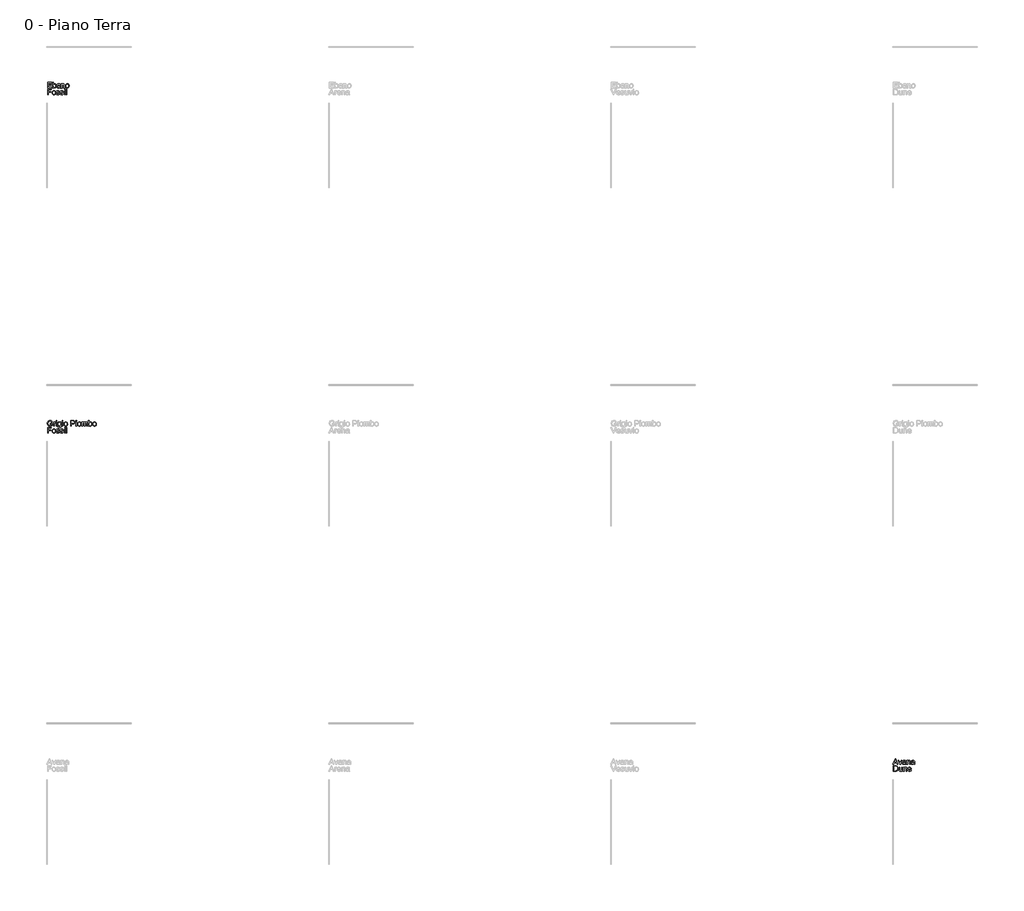
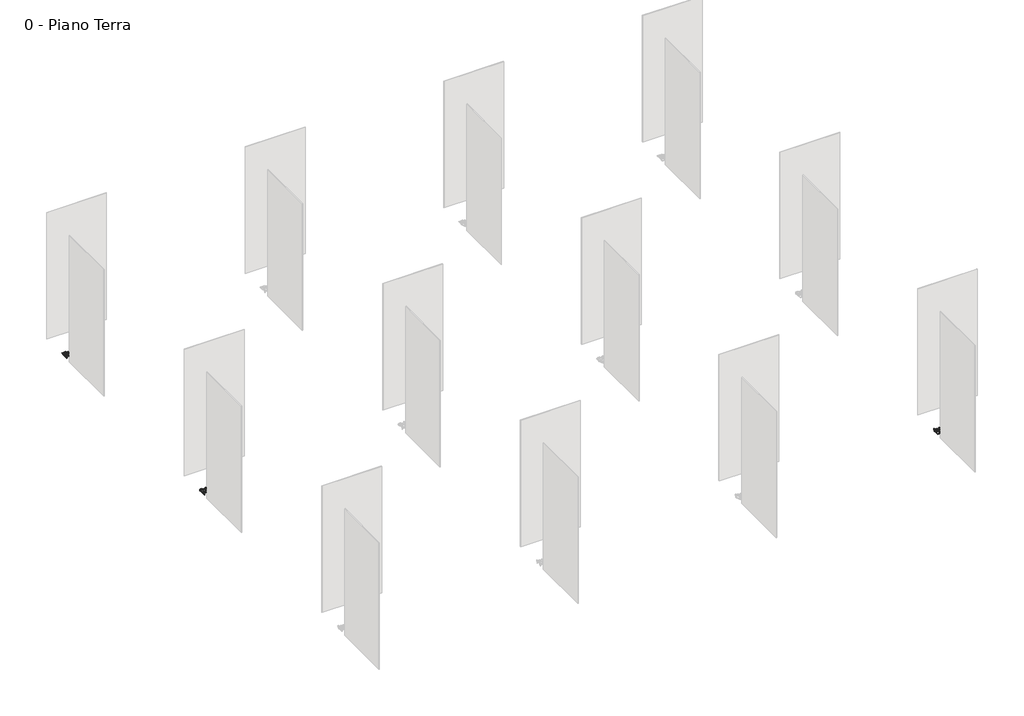
# One storey, part 7 of 35: 3 proxies.
"""IFC4 building model written with IfcOpenShell, lengths in millimetres."""

from ifc_helpers import new_model, si_unit, origin, origin_with_axes, place, context, project, spatial, polyline, outline, extrude, element, save

model = new_model("IFC4")

# Units and contexts
model_context = context("Model", 3, world=origin())
ifc_project = project(units=[si_unit("LENGTHUNIT", "METRE", prefix="MILLI")], contexts=[model_context])

# Site, building, storey
site = spatial("IfcSite", under=ifc_project)
building = spatial("IfcBuilding", under=site)
storey = spatial("IfcBuildingStorey", under=building, Name="0 - Piano Terra", Elevation=0.0)

# Proxies
placement = place(None, origin())
element("IfcBuildingElementProxy", 1, Name="Testo modello 1", ObjectType="Testo modello 1", at=placement, inside=storey, context=model_context, shape_type="SweptSolid", body=[
    extrude(outline(polyline([(-17268.2707509, -36273.7592352), (-17268.2707509, -36173.302925), (-17196.067778, -36173.302925), (-17196.067778, -36185.8599638), (-17255.7137122, -36185.8599638), (-17255.7137122, -36215.6829308), (-17199.2070377, -36215.6829308), (-17199.2070377, -36228.2399696), (-17255.7137122, -36228.2399696), (-17255.7137122, -36261.2021964), (-17194.4981482, -36261.2021964), (-17194.4981482, -36273.7592352), (-17268.2707509, -36273.7592352)])), origin_with_axes(), (0.0, 0.0, 1.0), 10.0),
    extrude(outline(polyline([(-17164.6751811, -36273.7592352), (-17177.2322199, -36273.7592352), (-17177.2322199, -36173.302925), (-17164.6751811, -36173.302925), (-17164.6751811, -36210.5571084), (-17155.8828014, -36201.452029), (-17144.9567061, -36198.4170025), (-17132.3751419, -36201.151592), (-17122.6140063, -36208.8403257), (-17116.6175298, -36220.7964906), (-17114.447026, -36235.7692878), (-17116.6941719, -36252.532444), (-17123.4356094, -36265.0036437), (-17133.3285694, -36272.7475597), (-17145.0302825, -36275.328865), (-17156.1955011, -36271.9995329), (-17164.6751811, -36262.0115368), (-17164.6751811, -36273.7592352)]), holes=[polyline([(-17164.6751811, -36236.357899), (-17161.2416158, -36253.9181329), (-17154.6626594, -36260.5584029), (-17146.1094031, -36262.7718262), (-17138.8621278, -36261.1408827), (-17132.6694475, -36256.2480522), (-17128.4204105, -36248.1239915), (-17127.0040648, -36236.7993574), (-17128.3621625, -36225.3091764), (-17132.4364556, -36217.2770862), (-17138.4359978, -36212.5498025), (-17145.5698428, -36210.9740413), (-17152.8171181, -36212.6049848), (-17159.0097984, -36217.4978154), (-17163.2588354, -36225.4747233), (-17164.6751811, -36236.357899)])]), origin_with_axes(), (0.0, 0.0, 1.0), 10.0),
    extrude(outline(polyline([(-17053.231462, -36264.3414561), (-17065.4083561, -36272.8517929), (-17078.8605743, -36275.328865), (-17089.3544083, -36273.8389429), (-17097.0952586, -36269.3691767), (-17101.8685275, -36262.5817539), (-17103.4596171, -36254.1388621), (-17101.0561214, -36244.2060482), (-17094.7408138, -36236.9955611), (-17085.9484341, -36232.8752828), (-17075.0836525, -36230.9868218), (-17053.3050384, -36226.6703398), (-17053.231462, -36223.8744366), (-17056.6895528, -36214.6038103), (-17070.5709667, -36210.9740413), (-17083.2751583, -36213.3897997), (-17089.3329485, -36221.9614502), (-17101.8899872, -36220.3918204), (-17096.4575964, -36208.1290872), (-17085.5192385, -36200.9431256), (-17068.9522859, -36198.4170025), (-17053.7342341, -36200.64882), (-17045.1380581, -36206.252889), (-17041.2875599, -36214.7754886), (-17040.6744232, -36225.7628975), (-17040.6744232, -36241.3856196), (-17040.0367611, -36263.2010219), (-17037.5351635, -36273.7592352), (-17050.0922023, -36273.7592352), (-17053.231462, -36264.3414561)]), holes=[polyline([(-17053.231462, -36239.2273785), (-17073.4894972, -36243.0778768), (-17084.2929651, -36245.1134905), (-17089.1857957, -36248.4244284), (-17090.9025783, -36253.2559453), (-17087.1624447, -36260.0494995), (-17076.1872985, -36262.7718262), (-17063.4831069, -36259.7674566), (-17055.2916012, -36252.4956558), (-17053.3050384, -36242.7835712), (-17053.231462, -36239.2273785)])]), origin_with_axes(), (0.0, 0.0, 1.0), 10.0),
    extrude(outline(polyline([(-17023.4084949, -36273.7592352), (-17023.4084949, -36199.9866324), (-17010.8514562, -36199.9866324), (-17010.8514562, -36210.2873283), (-17001.2497361, -36201.384584), (-16988.1408743, -36198.4170025), (-16976.2828114, -36200.8082355), (-16968.1894075, -36207.0867549), (-16964.4247484, -36216.320593), (-16963.7625608, -36228.4606988), (-16963.7625608, -36273.7592352), (-16976.3195996, -36273.7592352), (-16976.3195996, -36230.152956), (-16977.7666021, -36219.0429197), (-16982.8801618, -36213.1690705), (-16991.5008632, -36210.9740413), (-17005.1247598, -36215.90366), (-17009.4197821, -36223.0467021), (-17010.8514562, -36234.6165909), (-17010.8514562, -36273.7592352), (-17023.4084949, -36273.7592352)])), origin_with_axes(), (0.0, 0.0, 1.0), 10.0),
    extrude(outline(polyline([(-16949.6358922, -36236.8729338), (-16946.9196968, -36219.0858393), (-16938.7711106, -36206.5839828), (-16928.7034066, -36200.4587476), (-16916.6491399, -36198.4170025), (-16903.4575047, -36200.9032717), (-16892.9207512, -36208.3620791), (-16886.0137668, -36220.2048137), (-16883.7114386, -36235.8428642), (-16887.782666, -36258.185564), (-16899.640729, -36270.8284419), (-16916.6491399, -36275.328865), (-16930.0001907, -36272.8517929), (-16940.5246814, -36265.4205766), (-16947.3580895, -36253.3295217), (-16949.6358922, -36236.8729338)]), holes=[polyline([(-16937.0788534, -36236.8484083), (-16935.6257195, -36248.2128963), (-16931.2663179, -36256.3093658), (-16924.7057556, -36261.1562111), (-16916.6491399, -36262.7718262), (-16908.6293124, -36261.1470141), (-16902.0810129, -36256.2725776), (-16897.7216113, -36248.0688092), (-16896.2684774, -36236.4560008), (-16897.7308083, -36225.4226067), (-16902.1178011, -36217.4365017), (-16908.6752977, -36212.5896564), (-16916.6491399, -36210.9740413), (-16924.7057556, -36212.583525), (-16931.2663179, -36217.4119762), (-16935.6257195, -36225.4900517), (-16937.0788534, -36236.8484083)])]), origin_with_axes(), (0.0, 0.0, 1.0), 10.0),
    extrude(outline(polyline([(-17268.2707509, -36395.734053), (-17268.2707509, -36295.2777428), (-17200.7766675, -36295.2777428), (-17200.7766675, -36307.8347816), (-17255.7137122, -36307.8347816), (-17255.7137122, -36337.6577487), (-17208.6248168, -36337.6577487), (-17208.6248168, -36350.2147875), (-17255.7137122, -36350.2147875), (-17255.7137122, -36395.734053), (-17268.2707509, -36395.734053)])), origin_with_axes(), (0.0, 0.0, 1.0), 10.0),
    extrude(outline(polyline([(-17188.2196288, -36358.8477516), (-17185.5034334, -36341.0606571), (-17177.3548472, -36328.5588007), (-17167.2871432, -36322.4335655), (-17155.2328765, -36320.3918204), (-17142.0412413, -36322.8780895), (-17131.5044879, -36330.336897), (-17124.5975034, -36342.1796315), (-17122.2951752, -36357.817682), (-17126.3664027, -36380.1603819), (-17138.2244656, -36392.8032598), (-17155.2328765, -36397.3036828), (-17168.5839273, -36394.8266107), (-17179.108418, -36387.3953944), (-17185.9418261, -36375.3043395), (-17188.2196288, -36358.8477516)]), holes=[polyline([(-17175.66259, -36358.8232261), (-17174.2094561, -36370.1877141), (-17169.8500545, -36378.2841837), (-17163.2894922, -36383.131029), (-17155.2328765, -36384.7466441), (-17147.213049, -36383.1218319), (-17140.6647495, -36378.2473955), (-17136.3053479, -36370.043627), (-17134.852214, -36358.4308187), (-17136.3145449, -36347.3974245), (-17140.7015377, -36339.4113195), (-17147.2590343, -36334.5644742), (-17155.2328765, -36332.9488592), (-17163.2894922, -36334.5583429), (-17169.8500545, -36339.3867941), (-17174.2094561, -36347.4648695), (-17175.66259, -36358.8232261)])]), origin_with_axes(), (0.0, 0.0, 1.0), 10.0),
    extrude(outline(polyline([(-17112.8773962, -36373.7592352), (-17100.3203574, -36372.1896053), (-17094.5078219, -36381.5092825), (-17081.1904936, -36384.7466441), (-17068.3882002, -36381.7790626), (-17064.2188709, -36374.8138302), (-17068.4127257, -36369.1729729), (-17081.3376464, -36365.5922549), (-17100.246781, -36359.4486255), (-17108.4996004, -36352.2749266), (-17111.3077663, -36342.145909), (-17109.0514234, -36332.7894436), (-17102.8955314, -36325.6402702), (-17094.9124921, -36321.924662), (-17084.1090241, -36320.3918204), (-17068.8296586, -36322.8566298), (-17059.1175739, -36329.5275566), (-17054.8010919, -36340.7970084), (-17067.3581306, -36342.3666382), (-17072.0792829, -36335.438194), (-17083.1280055, -36332.9488592), (-17095.145484, -36335.3278294), (-17098.7507275, -36340.8705848), (-17097.2546741, -36344.5248793), (-17092.57031, -36347.296257), (-17081.7545794, -36349.9695328), (-17063.3236914, -36355.8801702), (-17054.7643037, -36362.5756225), (-17051.6618322, -36373.489455), (-17055.3038639, -36385.5069335), (-17065.8130262, -36394.2257368), (-17081.3621719, -36397.3036828), (-17094.0234439, -36395.8198921), (-17103.2634134, -36391.36852), (-17109.4315681, -36383.9986174), (-17112.8773962, -36373.7592352)])), origin_with_axes(), (0.0, 0.0, 1.0), 10.0),
    extrude(outline(polyline([(-17042.2440531, -36373.7592352), (-17029.6870143, -36372.1896053), (-17023.8744788, -36381.5092825), (-17010.5571506, -36384.7466441), (-16997.7548571, -36381.7790626), (-16993.5855279, -36374.8138302), (-16997.7793826, -36369.1729729), (-17010.7043034, -36365.5922549), (-17029.6134379, -36359.4486255), (-17037.8662573, -36352.2749266), (-17040.6744232, -36342.145909), (-17038.4180803, -36332.7894436), (-17032.2621883, -36325.6402702), (-17024.279149, -36321.924662), (-17013.4756811, -36320.3918204), (-16998.1963155, -36322.8566298), (-16988.4842309, -36329.5275566), (-16984.1677488, -36340.7970084), (-16996.7247876, -36342.3666382), (-17001.4459398, -36335.438194), (-17012.4946624, -36332.9488592), (-17024.5121409, -36335.3278294), (-17028.1173845, -36340.8705848), (-17026.621331, -36344.5248793), (-17021.936967, -36347.296257), (-17011.1212363, -36349.9695328), (-16992.6903483, -36355.8801702), (-16984.1309606, -36362.5756225), (-16981.0284891, -36373.489455), (-16984.6705208, -36385.5069335), (-16995.1796832, -36394.2257368), (-17010.7288288, -36397.3036828), (-17023.3901008, -36395.8198921), (-17032.6300703, -36391.36852), (-17038.7982251, -36383.9986174), (-17042.2440531, -36373.7592352)])), origin_with_axes(), (0.0, 0.0, 1.0), 10.0),
    extrude(outline(polyline([(-16966.9018205, -36307.8347816), (-16966.9018205, -36295.2777428), (-16954.3447817, -36295.2777428), (-16954.3447817, -36307.8347816), (-16966.9018205, -36307.8347816)])), origin_with_axes(), (0.0, 0.0, 1.0), 10.0),
    extrude(outline(polyline([(-16966.9018205, -36395.734053), (-16966.9018205, -36321.9614502), (-16954.3447817, -36321.9614502), (-16954.3447817, -36395.734053), (-16966.9018205, -36395.734053)])), origin_with_axes(), (0.0, 0.0, 1.0), 10.0),
    extrude(outline(polyline([(-16935.5092236, -36395.734053), (-16935.5092236, -36295.2777428), (-16922.9521848, -36295.2777428), (-16922.9521848, -36395.734053), (-16935.5092236, -36395.734053)])), origin_with_axes(), (0.0, 0.0, 1.0), 10.0),
])
element("IfcBuildingElementProxy", 2, Name="Testo modello 1", ObjectType="Testo modello 1", at=placement, inside=storey, context=model_context, shape_type="SweptSolid", body=[
    extrude(outline(polyline([(-17221.1818555, -42234.518489), (-17221.1818555, -42221.9614502), (-17180.3714795, -42221.9614502), (-17180.3714795, -42259.5099392), (-17200.5191501, -42271.3557394), (-17221.8195177, -42275.328865), (-17235.9063324, -42273.7500381), (-17248.6381151, -42269.0135574), (-17259.2147225, -42261.2849698), (-17266.8360111, -42250.7298223), (-17271.4437331, -42238.0685503), (-17272.9796405, -42224.0215894), (-17271.4498645, -42209.873461), (-17266.8605366, -42196.7124826), (-17259.4017292, -42185.6729571), (-17249.2635145, -42177.8891872), (-17236.9149422, -42173.2722682), (-17222.8250618, -42171.7332952), (-17203.1801632, -42175.3017505), (-17189.4091139, -42185.2345644), (-17181.8184821, -42201.8505678), (-17193.3945022, -42205.1124549), (-17199.1211986, -42193.4996465), (-17208.9068596, -42186.8041942), (-17223.0212655, -42184.2903339), (-17239.0977087, -42187.000398), (-17250.0360667, -42194.1127832), (-17256.4985271, -42203.7880797), (-17260.4226017, -42223.5065546), (-17255.7014494, -42245.3955333), (-17241.9671883, -42258.4921324), (-17222.8250618, -42262.7718262), (-17205.6449726, -42259.5467274), (-17192.9285183, -42252.6673341), (-17192.9285183, -42234.518489), (-17221.1818555, -42234.518489)])), origin_with_axes(), (0.0, 0.0, 1.0), 10.0),
    extrude(outline(polyline([(-17161.5359214, -42273.7592352), (-17161.5359214, -42199.9866324), (-17150.5485125, -42199.9866324), (-17150.5485125, -42210.9004649), (-17142.7494142, -42200.8450237), (-17134.9012649, -42198.4170025), (-17122.2951752, -42202.2920262), (-17126.48903, -42213.5492153), (-17135.3181979, -42210.9740413), (-17142.4183204, -42213.4511134), (-17146.9432689, -42220.318244), (-17148.9788826, -42234.9844729), (-17148.9788826, -42273.7592352), (-17161.5359214, -42273.7592352)])), origin_with_axes(), (0.0, 0.0, 1.0), 10.0),
    extrude(outline(polyline([(-17114.447026, -42185.8599638), (-17114.447026, -42173.302925), (-17101.8899872, -42173.302925), (-17101.8899872, -42185.8599638), (-17114.447026, -42185.8599638)])), origin_with_axes(), (0.0, 0.0, 1.0), 10.0),
    extrude(outline(polyline([(-17114.447026, -42273.7592352), (-17114.447026, -42199.9866324), (-17101.8899872, -42199.9866324), (-17101.8899872, -42273.7592352), (-17114.447026, -42273.7592352)])), origin_with_axes(), (0.0, 0.0, 1.0), 10.0),
    extrude(outline(polyline([(-17086.1936888, -42280.0377545), (-17073.63665, -42281.6073844), (-17069.5654226, -42288.2292603), (-17057.3762658, -42291.0251635), (-17044.5249215, -42287.8613783), (-17038.3935549, -42278.9831595), (-17037.5351635, -42264.3414561), (-17046.3765942, -42271.4047904), (-17057.1555366, -42273.7592352), (-17070.1019172, -42271.0185143), (-17079.7557539, -42262.7963517), (-17085.7614274, -42250.742085), (-17087.7633186, -42236.5050518), (-17084.1703378, -42217.0440942), (-17073.7715401, -42203.2730449), (-17057.7686733, -42198.4170025), (-17046.5666665, -42201.1638548), (-17037.5351635, -42209.4044115), (-17037.5351635, -42199.9866324), (-17024.9781248, -42199.9866324), (-17024.9781248, -42263.6792685), (-17028.4116901, -42288.0698448), (-17039.2887344, -42299.4128729), (-17057.6215205, -42303.5822022), (-17069.3048395, -42302.1137399), (-17078.5049551, -42297.708353), (-17084.4063954, -42290.3537788), (-17086.1936888, -42280.0377545)]), holes=[polyline([(-17075.2062799, -42235.6466605), (-17073.8665763, -42247.1644326), (-17069.8474655, -42255.0830925), (-17063.8050037, -42259.6724204), (-17056.3952472, -42261.2021964), (-17049.0406729, -42259.6816175), (-17042.9675543, -42255.1198807), (-17038.8932612, -42247.3023883), (-17037.5351635, -42236.0145424), (-17038.9331151, -42225.1283011), (-17043.1269699, -42217.2893489), (-17049.2889933, -42212.5528682), (-17056.5914509, -42210.9740413), (-17063.7620841, -42212.5283427), (-17069.7738891, -42217.191247), (-17073.8481822, -42224.9137032), (-17075.2062799, -42235.6466605)])]), origin_with_axes(), (0.0, 0.0, 1.0), 10.0),
    extrude(outline(polyline([(-17006.1425666, -42185.8599638), (-17006.1425666, -42173.302925), (-16993.5855279, -42173.302925), (-16993.5855279, -42185.8599638), (-17006.1425666, -42185.8599638)])), origin_with_axes(), (0.0, 0.0, 1.0), 10.0),
    extrude(outline(polyline([(-17006.1425666, -42273.7592352), (-17006.1425666, -42199.9866324), (-16993.5855279, -42199.9866324), (-16993.5855279, -42273.7592352), (-17006.1425666, -42273.7592352)])), origin_with_axes(), (0.0, 0.0, 1.0), 10.0),
    extrude(outline(polyline([(-16977.8892294, -42236.8729338), (-16975.173034, -42219.0858393), (-16967.0244478, -42206.5839828), (-16956.9567439, -42200.4587476), (-16944.9024772, -42198.4170025), (-16931.710842, -42200.9032717), (-16921.1740885, -42208.3620791), (-16914.267104, -42220.2048137), (-16911.9647759, -42235.8428642), (-16916.0360033, -42258.185564), (-16927.8940663, -42270.8284419), (-16944.9024772, -42275.328865), (-16958.2535279, -42272.8517929), (-16968.7780187, -42265.4205766), (-16975.6114267, -42253.3295217), (-16977.8892294, -42236.8729338)]), holes=[polyline([(-16965.3321906, -42236.8484083), (-16963.8790567, -42248.2128963), (-16959.5196551, -42256.3093658), (-16952.9590929, -42261.1562111), (-16944.9024772, -42262.7718262), (-16936.8826497, -42261.1470141), (-16930.3343502, -42256.2725776), (-16925.9749485, -42248.0688092), (-16924.5218146, -42236.4560008), (-16925.9841456, -42225.4226067), (-16930.3711384, -42217.4365017), (-16936.9286349, -42212.5896564), (-16944.9024772, -42210.9740413), (-16952.9590929, -42212.583525), (-16959.5196551, -42217.4119762), (-16963.8790567, -42225.4900517), (-16965.3321906, -42236.8484083)])]), origin_with_axes(), (0.0, 0.0, 1.0), 10.0),
    extrude(outline(polyline([(-16857.0277312, -42273.7592352), (-16857.0277312, -42173.302925), (-16819.7980733, -42173.302925), (-16804.7884879, -42174.2594182), (-16792.5870684, -42178.956045), (-16784.6776055, -42188.6681297), (-16781.6854986, -42202.3656026), (-16783.7057839, -42214.2052715), (-16789.7666398, -42224.0706403), (-16801.1004709, -42230.7293044), (-16818.939682, -42232.9488592), (-16844.4706925, -42232.9488592), (-16844.4706925, -42273.7592352), (-16857.0277312, -42273.7592352)]), holes=[polyline([(-16844.4706925, -42220.3918204), (-16818.203918, -42220.3918204), (-16799.7117164, -42215.7810327), (-16795.6098322, -42210.232146), (-16794.2425374, -42202.807061), (-16797.4676362, -42192.4082633), (-16805.9411849, -42186.7183551), (-16818.4982236, -42185.8599638), (-16844.4706925, -42185.8599638), (-16844.4706925, -42220.3918204)])]), origin_with_axes(), (0.0, 0.0, 1.0), 10.0),
    extrude(outline(polyline([(-16765.9892002, -42185.8599638), (-16765.9892002, -42173.302925), (-16753.4321614, -42173.302925), (-16753.4321614, -42185.8599638), (-16765.9892002, -42185.8599638)])), origin_with_axes(), (0.0, 0.0, 1.0), 10.0),
    extrude(outline(polyline([(-16765.9892002, -42273.7592352), (-16765.9892002, -42199.9866324), (-16753.4321614, -42199.9866324), (-16753.4321614, -42273.7592352), (-16765.9892002, -42273.7592352)])), origin_with_axes(), (0.0, 0.0, 1.0), 10.0),
    extrude(outline(polyline([(-16737.7358629, -42236.8729338), (-16735.0196675, -42219.0858393), (-16726.8710814, -42206.5839828), (-16716.8033774, -42200.4587476), (-16704.7491107, -42198.4170025), (-16691.5574755, -42200.9032717), (-16681.020722, -42208.3620791), (-16674.1137376, -42220.2048137), (-16671.8114094, -42235.8428642), (-16675.8826368, -42258.185564), (-16687.7406998, -42270.8284419), (-16704.7491107, -42275.328865), (-16718.1001615, -42272.8517929), (-16728.6246522, -42265.4205766), (-16735.4580603, -42253.3295217), (-16737.7358629, -42236.8729338)]), holes=[polyline([(-16725.1788242, -42236.8484083), (-16723.7256903, -42248.2128963), (-16719.3662887, -42256.3093658), (-16712.8057264, -42261.1562111), (-16704.7491107, -42262.7718262), (-16696.7292832, -42261.1470141), (-16690.1809837, -42256.2725776), (-16685.8215821, -42248.0688092), (-16684.3684482, -42236.4560008), (-16685.8307791, -42225.4226067), (-16690.2177719, -42217.4365017), (-16696.7752685, -42212.5896564), (-16704.7491107, -42210.9740413), (-16712.8057264, -42212.583525), (-16719.3662887, -42217.4119762), (-16723.7256903, -42225.4900517), (-16725.1788242, -42236.8484083)])]), origin_with_axes(), (0.0, 0.0, 1.0), 10.0),
    extrude(outline(polyline([(-16657.6847408, -42273.7592352), (-16657.6847408, -42199.9866324), (-16645.127702, -42199.9866324), (-16645.127702, -42212.1267382), (-16636.4947379, -42202.1816616), (-16624.2074792, -42198.4170025), (-16611.625915, -42202.255238), (-16604.7097335, -42213.009655), (-16594.9118097, -42202.0651657), (-16582.5387119, -42198.4170025), (-16573.0994731, -42199.9345158), (-16566.1189122, -42204.4870555), (-16561.8054958, -42212.1972489), (-16560.3676903, -42223.1877235), (-16560.3676903, -42273.7592352), (-16572.9247291, -42273.7592352), (-16572.9247291, -42228.5833261), (-16574.0896888, -42218.0986893), (-16578.308069, -42212.9360786), (-16585.4817679, -42210.9740413), (-16597.8303402, -42216.0017619), (-16601.5183572, -42222.5439301), (-16602.7476962, -42232.1149933), (-16602.7476962, -42273.7592352), (-16615.304735, -42273.7592352), (-16615.304735, -42227.1853746), (-16618.2110027, -42215.0207433), (-16627.7391464, -42210.9740413), (-16637.0342981, -42213.6718426), (-16643.2147157, -42221.5690428), (-16645.127702, -42236.5541027), (-16645.127702, -42273.7592352), (-16657.6847408, -42273.7592352)])), origin_with_axes(), (0.0, 0.0, 1.0), 10.0),
    extrude(outline(polyline([(-16528.9750934, -42273.7592352), (-16541.5321322, -42273.7592352), (-16541.5321322, -42173.302925), (-16528.9750934, -42173.302925), (-16528.9750934, -42210.5571084), (-16520.1827137, -42201.452029), (-16509.2566185, -42198.4170025), (-16496.6750542, -42201.151592), (-16486.9139186, -42208.8403257), (-16480.9174421, -42220.7964906), (-16478.7469383, -42235.7692878), (-16480.9940842, -42252.532444), (-16487.7355218, -42265.0036437), (-16497.6284817, -42272.7475597), (-16509.3301949, -42275.328865), (-16520.4954134, -42271.9995329), (-16528.9750934, -42262.0115368), (-16528.9750934, -42273.7592352)]), holes=[polyline([(-16528.9750934, -42236.357899), (-16525.5415281, -42253.9181329), (-16518.9625718, -42260.5584029), (-16510.4093154, -42262.7718262), (-16503.1620401, -42261.1408827), (-16496.9693598, -42256.2480522), (-16492.7203228, -42248.1239915), (-16491.3039771, -42236.7993574), (-16492.6620748, -42225.3091764), (-16496.7363679, -42217.2770862), (-16502.7359101, -42212.5498025), (-16509.8697551, -42210.9740413), (-16517.1170304, -42212.6049848), (-16523.3097107, -42217.4978154), (-16527.5587477, -42225.4747233), (-16528.9750934, -42236.357899)])]), origin_with_axes(), (0.0, 0.0, 1.0), 10.0),
    extrude(outline(polyline([(-16467.7595294, -42236.8729338), (-16465.043334, -42219.0858393), (-16456.8947478, -42206.5839828), (-16446.8270439, -42200.4587476), (-16434.7727772, -42198.4170025), (-16421.581142, -42200.9032717), (-16411.0443885, -42208.3620791), (-16404.137404, -42220.2048137), (-16401.8350759, -42235.8428642), (-16405.9063033, -42258.185564), (-16417.7643663, -42270.8284419), (-16434.7727772, -42275.328865), (-16448.1238279, -42272.8517929), (-16458.6483187, -42265.4205766), (-16465.4817267, -42253.3295217), (-16467.7595294, -42236.8729338)]), holes=[polyline([(-16455.2024907, -42236.8484083), (-16453.7493568, -42248.2128963), (-16449.3899551, -42256.3093658), (-16442.8293929, -42261.1562111), (-16434.7727772, -42262.7718262), (-16426.7529497, -42261.1470141), (-16420.2046502, -42256.2725776), (-16415.8452485, -42248.0688092), (-16414.3921147, -42236.4560008), (-16415.8544456, -42225.4226067), (-16420.2414384, -42217.4365017), (-16426.7989349, -42212.5896564), (-16434.7727772, -42210.9740413), (-16442.8293929, -42212.583525), (-16449.3899551, -42217.4119762), (-16453.7493568, -42225.4900517), (-16455.2024907, -42236.8484083)])]), origin_with_axes(), (0.0, 0.0, 1.0), 10.0),
    extrude(outline(polyline([(-17268.2707509, -42395.734053), (-17268.2707509, -42295.2777428), (-17200.7766675, -42295.2777428), (-17200.7766675, -42307.8347816), (-17255.7137122, -42307.8347816), (-17255.7137122, -42337.6577487), (-17208.6248168, -42337.6577487), (-17208.6248168, -42350.2147875), (-17255.7137122, -42350.2147875), (-17255.7137122, -42395.734053), (-17268.2707509, -42395.734053)])), origin_with_axes(), (0.0, 0.0, 1.0), 10.0),
    extrude(outline(polyline([(-17188.2196288, -42358.8477516), (-17185.5034334, -42341.0606571), (-17177.3548472, -42328.5588007), (-17167.2871432, -42322.4335655), (-17155.2328765, -42320.3918204), (-17142.0412413, -42322.8780895), (-17131.5044879, -42330.336897), (-17124.5975034, -42342.1796315), (-17122.2951752, -42357.817682), (-17126.3664027, -42380.1603819), (-17138.2244656, -42392.8032598), (-17155.2328765, -42397.3036828), (-17168.5839273, -42394.8266107), (-17179.108418, -42387.3953944), (-17185.9418261, -42375.3043395), (-17188.2196288, -42358.8477516)]), holes=[polyline([(-17175.66259, -42358.8232261), (-17174.2094561, -42370.1877141), (-17169.8500545, -42378.2841837), (-17163.2894922, -42383.131029), (-17155.2328765, -42384.7466441), (-17147.213049, -42383.1218319), (-17140.6647495, -42378.2473955), (-17136.3053479, -42370.043627), (-17134.852214, -42358.4308187), (-17136.3145449, -42347.3974245), (-17140.7015377, -42339.4113195), (-17147.2590343, -42334.5644742), (-17155.2328765, -42332.9488592), (-17163.2894922, -42334.5583429), (-17169.8500545, -42339.3867941), (-17174.2094561, -42347.4648695), (-17175.66259, -42358.8232261)])]), origin_with_axes(), (0.0, 0.0, 1.0), 10.0),
    extrude(outline(polyline([(-17112.8773962, -42373.7592352), (-17100.3203574, -42372.1896053), (-17094.5078219, -42381.5092825), (-17081.1904936, -42384.7466441), (-17068.3882002, -42381.7790626), (-17064.2188709, -42374.8138302), (-17068.4127257, -42369.1729729), (-17081.3376464, -42365.5922549), (-17100.246781, -42359.4486255), (-17108.4996004, -42352.2749266), (-17111.3077663, -42342.145909), (-17109.0514234, -42332.7894436), (-17102.8955314, -42325.6402702), (-17094.9124921, -42321.924662), (-17084.1090241, -42320.3918204), (-17068.8296586, -42322.8566298), (-17059.1175739, -42329.5275566), (-17054.8010919, -42340.7970084), (-17067.3581306, -42342.3666382), (-17072.0792829, -42335.438194), (-17083.1280055, -42332.9488592), (-17095.145484, -42335.3278294), (-17098.7507275, -42340.8705848), (-17097.2546741, -42344.5248793), (-17092.57031, -42347.296257), (-17081.7545794, -42349.9695328), (-17063.3236914, -42355.8801702), (-17054.7643037, -42362.5756225), (-17051.6618322, -42373.489455), (-17055.3038639, -42385.5069335), (-17065.8130262, -42394.2257368), (-17081.3621719, -42397.3036828), (-17094.0234439, -42395.8198921), (-17103.2634134, -42391.36852), (-17109.4315681, -42383.9986174), (-17112.8773962, -42373.7592352)])), origin_with_axes(), (0.0, 0.0, 1.0), 10.0),
    extrude(outline(polyline([(-17042.2440531, -42373.7592352), (-17029.6870143, -42372.1896053), (-17023.8744788, -42381.5092825), (-17010.5571506, -42384.7466441), (-16997.7548571, -42381.7790626), (-16993.5855279, -42374.8138302), (-16997.7793826, -42369.1729729), (-17010.7043034, -42365.5922549), (-17029.6134379, -42359.4486255), (-17037.8662573, -42352.2749266), (-17040.6744232, -42342.145909), (-17038.4180803, -42332.7894436), (-17032.2621883, -42325.6402702), (-17024.279149, -42321.924662), (-17013.4756811, -42320.3918204), (-16998.1963155, -42322.8566298), (-16988.4842309, -42329.5275566), (-16984.1677488, -42340.7970084), (-16996.7247876, -42342.3666382), (-17001.4459398, -42335.438194), (-17012.4946624, -42332.9488592), (-17024.5121409, -42335.3278294), (-17028.1173845, -42340.8705848), (-17026.621331, -42344.5248793), (-17021.936967, -42347.296257), (-17011.1212363, -42349.9695328), (-16992.6903483, -42355.8801702), (-16984.1309606, -42362.5756225), (-16981.0284891, -42373.489455), (-16984.6705208, -42385.5069335), (-16995.1796832, -42394.2257368), (-17010.7288288, -42397.3036828), (-17023.3901008, -42395.8198921), (-17032.6300703, -42391.36852), (-17038.7982251, -42383.9986174), (-17042.2440531, -42373.7592352)])), origin_with_axes(), (0.0, 0.0, 1.0), 10.0),
    extrude(outline(polyline([(-16966.9018205, -42307.8347816), (-16966.9018205, -42295.2777428), (-16954.3447817, -42295.2777428), (-16954.3447817, -42307.8347816), (-16966.9018205, -42307.8347816)])), origin_with_axes(), (0.0, 0.0, 1.0), 10.0),
    extrude(outline(polyline([(-16966.9018205, -42395.734053), (-16966.9018205, -42321.9614502), (-16954.3447817, -42321.9614502), (-16954.3447817, -42395.734053), (-16966.9018205, -42395.734053)])), origin_with_axes(), (0.0, 0.0, 1.0), 10.0),
    extrude(outline(polyline([(-16935.5092236, -42395.734053), (-16935.5092236, -42295.2777428), (-16922.9521848, -42295.2777428), (-16922.9521848, -42395.734053), (-16935.5092236, -42395.734053)])), origin_with_axes(), (0.0, 0.0, 1.0), 10.0),
])
element("IfcBuildingElementProxy", 3, Name="Testo modello 1", ObjectType="Testo modello 1", at=placement, inside=storey, context=model_context, shape_type="SweptSolid", body=[
    extrude(outline(polyline([(-2279.9693984, -48273.7592352), (-2239.8702609, -48173.302925), (-2229.1771576, -48173.302925), (-2189.0780201, -48273.7592352), (-2202.3462974, -48273.7592352), (-2213.8487411, -48242.3666382), (-2255.2232028, -48242.3666382), (-2266.7011211, -48273.7592352), (-2279.9693984, -48273.7592352)]), holes=[polyline([(-2250.6124152, -48229.8095995), (-2218.4350033, -48229.8095995), (-2227.4849004, -48205.1124549), (-2234.5237092, -48185.8599638), (-2240.7777032, -48202.9542138), (-2250.6124152, -48229.8095995)])]), origin_with_axes(), (0.0, 0.0, 1.0), 10.0),
    extrude(outline(polyline([(-2159.1324257, -48273.7592352), (-2185.0803691, -48199.9866324), (-2171.7875663, -48199.9866324), (-2156.0667424, -48244.1815227), (-2151.3333274, -48259.0439553), (-2146.6980143, -48245.0153886), (-2130.8790885, -48199.9866324), (-2117.5862857, -48199.9866324), (-2143.215398, -48273.7592352), (-2159.1324257, -48273.7592352)])), origin_with_axes(), (0.0, 0.0, 1.0), 10.0),
    extrude(outline(polyline([(-2059.5099814, -48264.3414561), (-2071.6868754, -48272.8517929), (-2085.1390937, -48275.328865), (-2095.6329276, -48273.8389429), (-2103.373778, -48269.3691767), (-2108.1470468, -48262.5817539), (-2109.7381365, -48254.1388621), (-2107.3346408, -48244.2060482), (-2101.0193332, -48236.9955611), (-2092.2269535, -48232.8752828), (-2081.3621719, -48230.9868218), (-2059.5835578, -48226.6703398), (-2059.5099814, -48223.8744366), (-2062.9680721, -48214.6038103), (-2076.8494861, -48210.9740413), (-2089.5536777, -48213.3897997), (-2095.6114679, -48221.9614502), (-2108.1685066, -48220.3918204), (-2102.7361158, -48208.1290872), (-2091.7977578, -48200.9431256), (-2075.2308053, -48198.4170025), (-2060.0127535, -48200.64882), (-2051.4165775, -48206.252889), (-2047.5660793, -48214.7754886), (-2046.9529426, -48225.7628975), (-2046.9529426, -48241.3856196), (-2046.3152805, -48263.2010219), (-2043.8136829, -48273.7592352), (-2056.3707217, -48273.7592352), (-2059.5099814, -48264.3414561)]), holes=[polyline([(-2059.5099814, -48239.2273785), (-2079.7680166, -48243.0778768), (-2090.5714845, -48245.1134905), (-2095.4643151, -48248.4244284), (-2097.1810977, -48253.2559453), (-2093.4409641, -48260.0494995), (-2082.4658179, -48262.7718262), (-2069.7616263, -48259.7674566), (-2061.5701206, -48252.4956558), (-2059.5835578, -48242.7835712), (-2059.5099814, -48239.2273785)])]), origin_with_axes(), (0.0, 0.0, 1.0), 10.0),
    extrude(outline(polyline([(-2029.6870143, -48273.7592352), (-2029.6870143, -48199.9866324), (-2017.1299756, -48199.9866324), (-2017.1299756, -48210.2873283), (-2007.5282555, -48201.384584), (-1994.4193937, -48198.4170025), (-1982.5613307, -48200.8082355), (-1974.4679268, -48207.0867549), (-1970.7032678, -48216.320593), (-1970.0410802, -48228.4606988), (-1970.0410802, -48273.7592352), (-1982.5981189, -48273.7592352), (-1982.5981189, -48230.152956), (-1984.0451215, -48219.0429197), (-1989.1586812, -48213.1690705), (-1997.7793826, -48210.9740413), (-2011.4032792, -48215.90366), (-2015.6983015, -48223.0467021), (-2017.1299756, -48234.6165909), (-2017.1299756, -48273.7592352), (-2029.6870143, -48273.7592352)])), origin_with_axes(), (0.0, 0.0, 1.0), 10.0),
    extrude(outline(polyline([(-1905.6862565, -48264.3414561), (-1917.8631505, -48272.8517929), (-1931.3153688, -48275.328865), (-1941.8092027, -48273.8389429), (-1949.550053, -48269.3691767), (-1954.3233219, -48262.5817539), (-1955.9144116, -48254.1388621), (-1953.5109159, -48244.2060482), (-1947.1956083, -48236.9955611), (-1938.4032286, -48232.8752828), (-1927.538447, -48230.9868218), (-1905.7598329, -48226.6703398), (-1905.6862565, -48223.8744366), (-1909.1443472, -48214.6038103), (-1923.0257612, -48210.9740413), (-1935.7299528, -48213.3897997), (-1941.7877429, -48221.9614502), (-1954.3447817, -48220.3918204), (-1948.9123909, -48208.1290872), (-1937.9740329, -48200.9431256), (-1921.4070804, -48198.4170025), (-1906.1890285, -48200.64882), (-1897.5928526, -48206.252889), (-1893.7423544, -48214.7754886), (-1893.1292177, -48225.7628975), (-1893.1292177, -48241.3856196), (-1892.4915556, -48263.2010219), (-1889.989958, -48273.7592352), (-1902.5469968, -48273.7592352), (-1905.6862565, -48264.3414561)]), holes=[polyline([(-1905.6862565, -48239.2273785), (-1925.9442917, -48243.0778768), (-1936.7477596, -48245.1134905), (-1941.6405901, -48248.4244284), (-1943.3573728, -48253.2559453), (-1939.6172392, -48260.0494995), (-1928.642093, -48262.7718262), (-1915.9379014, -48259.7674566), (-1907.7463957, -48252.4956558), (-1905.7598329, -48242.7835712), (-1905.6862565, -48239.2273785)])]), origin_with_axes(), (0.0, 0.0, 1.0), 10.0),
    extrude(outline(polyline([(-2268.2707509, -48395.734053), (-2268.2707509, -48295.2777428), (-2233.616267, -48295.2777428), (-2215.6881511, -48296.7247454), (-2200.9238203, -48303.910707), (-2189.0289692, -48321.0785334), (-2185.0803691, -48344.9663377), (-2187.7536449, -48365.2366356), (-2194.6207755, -48379.8660763), (-2203.7932999, -48388.977287), (-2215.7985157, -48394.0172704), (-2231.9485353, -48395.734053), (-2268.2707509, -48395.734053)]), holes=[polyline([(-2255.7137122, -48383.1770142), (-2233.4936396, -48383.1770142), (-2217.3313573, -48381.3621297), (-2208.0116801, -48376.2363073), (-2200.3719973, -48363.7651076), (-2197.6374079, -48344.7701339), (-2198.9771114, -48331.0849237), (-2202.9962222, -48320.9804316), (-2216.0315076, -48309.8458699), (-2233.8369962, -48307.8347816), (-2255.7137122, -48307.8347816), (-2255.7137122, -48383.1770142)])]), origin_with_axes(), (0.0, 0.0, 1.0), 10.0),
    extrude(outline(polyline([(-2122.2951752, -48395.734053), (-2122.2951752, -48383.0543869), (-2132.1298872, -48393.7413589), (-2144.9567061, -48397.3036828), (-2156.7657182, -48394.8020853), (-2164.908173, -48388.5235659), (-2168.6483066, -48379.2774651), (-2169.3840706, -48367.6033431), (-2169.3840706, -48321.9614502), (-2156.8270319, -48321.9614502), (-2156.8270319, -48361.6927057), (-2156.0667424, -48374.4949991), (-2151.1003355, -48382.0120546), (-2141.74387, -48384.7466441), (-2131.2592332, -48381.9507409), (-2124.3307889, -48374.3355836), (-2122.2951752, -48360.3438051), (-2122.2951752, -48321.9614502), (-2109.7381365, -48321.9614502), (-2109.7381365, -48395.734053), (-2122.2951752, -48395.734053)])), origin_with_axes(), (0.0, 0.0, 1.0), 10.0),
    extrude(outline(polyline([(-2092.4722082, -48395.734053), (-2092.4722082, -48321.9614502), (-2079.9151694, -48321.9614502), (-2079.9151694, -48332.2621461), (-2070.3134493, -48323.3594018), (-2057.2045876, -48320.3918204), (-2045.3465246, -48322.7830534), (-2037.2531207, -48329.0615727), (-2033.4884616, -48338.2954108), (-2032.826274, -48350.4355167), (-2032.826274, -48395.734053), (-2045.3833128, -48395.734053), (-2045.3833128, -48352.1277738), (-2046.8303153, -48341.0177376), (-2051.943875, -48335.1438884), (-2060.5645764, -48332.9488592), (-2074.188473, -48337.8784779), (-2078.4834953, -48345.02152), (-2079.9151694, -48356.5914087), (-2079.9151694, -48395.734053), (-2092.4722082, -48395.734053)])), origin_with_axes(), (0.0, 0.0, 1.0), 10.0),
    extrude(outline(polyline([(-1963.9097136, -48373.7592352), (-1951.5979295, -48375.328865), (-1956.0339732, -48384.6056226), (-1963.1126359, -48391.5401983), (-1972.6745021, -48395.8628117), (-1984.5601562, -48397.3036828), (-1999.2938302, -48394.8174137), (-2010.630727, -48387.3586062), (-2017.8596082, -48375.4116384), (-2020.2692352, -48359.4608883), (-2017.8350827, -48342.9736435), (-2010.5326251, -48330.6434653), (-1999.3490125, -48322.9547316), (-1985.2713948, -48320.3918204), (-1971.6321698, -48322.9486003), (-1960.7336657, -48330.6189399), (-1953.5875579, -48342.9245926), (-1951.205522, -48359.3873119), (-1951.2790984, -48362.7718262), (-2007.7121965, -48362.7718262), (-2005.538627, -48372.1712112), (-2000.4894466, -48379.0812613), (-1993.2023174, -48383.3302984), (-1984.3149016, -48384.7466441), (-1972.0031175, -48382.1224192), (-1963.9097136, -48373.7592352)]), holes=[polyline([(-2007.7121965, -48350.2147875), (-1963.7625608, -48350.2147875), (-1968.7902814, -48338.8349711), (-1976.1111331, -48334.4203871), (-1985.3204457, -48332.9488592), (-2000.7837522, -48337.645486), (-2005.6489916, -48343.1361247), (-2007.7121965, -48350.2147875)])]), origin_with_axes(), (0.0, 0.0, 1.0), 10.0),
])

save(model, "model.ifc")
